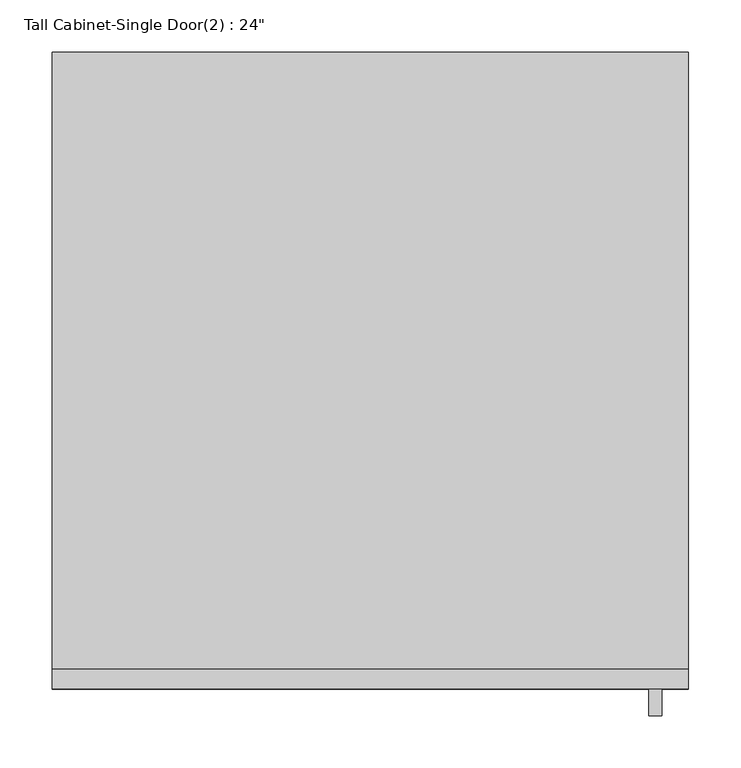
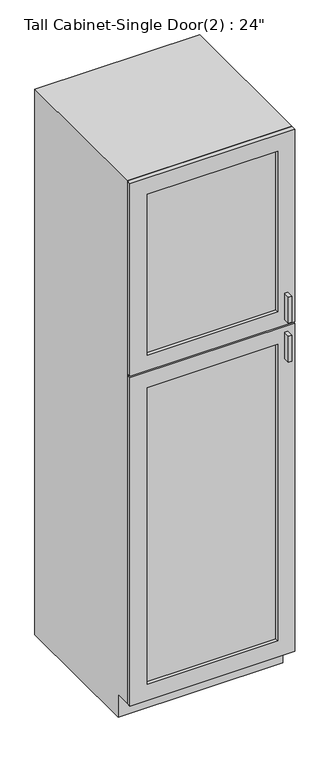
"""IFC4 building model written with IfcOpenShell, lengths in millimetres: furniture geometry."""

from ifc_helpers import new_model, si_unit, frame, origin, place, context, project, spatial, polyline, outline, extrude, faceted_brep, source, transform, mapped, element, save


def furniture_79f99a2a(model_context):
    return source(origin(), model_context, "Body", "SolidModel", [
        faceted_brep([(323.5377049, -590.55, 90.4875), (323.5377049, -590.55, 2133.6), (-286.0622951, -590.55, 2133.6), (-286.0622951, -590.55, 90.4875), (304.4877049, -590.55, 2114.55), (304.4877049, -590.55, 109.5375), (-267.0122951, -590.55, 109.5375), (-267.0122951, -590.55, 2114.55), (-286.0622951, 0.0, 2133.6), (323.5377049, 0.0, 2133.6), (323.5377049, 0.0, 0.0), (-286.0622951, 0.0, 0.0), (323.5377049, -533.4, 90.4875), (323.5377049, -533.4, 0.0), (-286.0622951, -533.4, 0.0), (-286.0622951, -533.4, 90.4875), (304.4877049, -19.05, 2114.55), (304.4877049, -19.05, 109.5375), (-267.0122951, -19.05, 109.5375), (-267.0122951, -19.05, 2114.55)], [[[0, 1, 2, 3], [4, 5, 6, 7]], [[8, 9, 10, 11]], [[1, 0, 12, 13, 10, 9]], [[2, 1, 9, 8]], [[3, 2, 8, 11, 14, 15]], [[0, 3, 15, 12]], [[5, 4, 16, 17]], [[6, 5, 17, 18]], [[7, 6, 18, 19]], [[4, 7, 19, 16]], [[10, 13, 14, 11]], [[14, 13, 12, 15]], [[17, 16, 19, 18]]]),
        extrude(outline(polyline([(298.1377049, -635.0), (285.6054733, -635.0), (285.6054733, -609.6), (298.1377049, -609.6), (298.1377049, -635.0)])), frame((0.0, 0.0, 1403.5480367), z_axis=(0.0, 0.0, 1.0), x_axis=(1.0, 0.0, 0.0)), (0.0, 0.0, 1.0), 101.6),
        extrude(outline(polyline([(298.1377049, -635.0), (285.6054733, -635.0), (285.6054733, -609.6), (298.1377049, -609.6), (298.1377049, -635.0)])), frame((0.0, 0.0, 1251.1480367), z_axis=(0.0, 0.0, 1.0), x_axis=(1.0, 0.0, 0.0)), (0.0, 0.0, 1.0), 101.6),
        extrude(outline(polyline([(260.0377049, -596.9), (-222.5622951, -596.9), (-222.5622951, -590.55), (260.0377049, -590.55), (260.0377049, -596.9)])), frame((0.0, 0.0, 1441.6480367), z_axis=(0.0, 0.0, 1.0), x_axis=(1.0, 0.0, 0.0)), (0.0, 0.0, 1.0), 628.4519633),
        extrude(outline(polyline([(260.0377049, -596.9), (-222.5622951, -596.9), (-222.5622951, -590.55), (260.0377049, -590.55), (260.0377049, -596.9)])), frame((0.0, 0.0, 153.9875), z_axis=(0.0, 0.0, 1.0), x_axis=(1.0, 0.0, 0.0)), (0.0, 0.0, 1.0), 1160.6605367),
        extrude(outline(polyline([(2133.6, 323.5377049), (2133.6, -286.0622951), (1381.3230367, -286.0622951), (1381.3230367, 323.5377049), (2133.6, 323.5377049)]), holes=[polyline([(2070.1, 260.0377049), (1441.6480367, 260.0377049), (1441.6480367, -222.5622951), (2070.1, -222.5622951), (2070.1, 260.0377049)])]), frame((0.0, -609.6, 0.0), z_axis=(0.0, 1.0, 0.0), x_axis=(0.0, 0.0, 1.0)), (0.0, 0.0, 1.0), 19.05),
        extrude(outline(polyline([(90.4875, 323.5377049), (1374.9730367, 323.5377049), (1374.9730367, -286.0622951), (90.4875, -286.0622951), (90.4875, 323.5377049)]), holes=[polyline([(1314.6480367, 260.0377049), (153.9875, 260.0377049), (153.9875, -222.5622951), (1314.6480367, -222.5622951), (1314.6480367, 260.0377049)])]), frame((0.0, -609.6, 0.0), z_axis=(0.0, 1.0, 0.0), x_axis=(0.0, 0.0, 1.0)), (0.0, 0.0, 1.0), 19.05),
    ])


if __name__ == "__main__":
    model = new_model("IFC4")
    model_context = context("Model", 3, world=origin())
    ifc_project = project(units=[si_unit("LENGTHUNIT", "METRE", prefix="MILLI")], contexts=[model_context])
    site = spatial("IfcSite", under=ifc_project)
    building = spatial("IfcBuilding", under=site)
    placement = place(None, origin())
    furniture_shape = furniture_79f99a2a(model_context)
    element("IfcFurniture", 1, ObjectType="Tall Cabinet-Single Door(2) : 24\"", at=placement, inside=building, context=model_context, shape_type="MappedRepresentation", body=[
        mapped(furniture_shape, transform((0.0, 0.0, 0.0), x_axis=(1.0, 0.0, 0.0), y_axis=(0.0, 1.0, 0.0), z_axis=(0.0, 0.0, 1.0))),
    ])
    save(model, "model.ifc")
